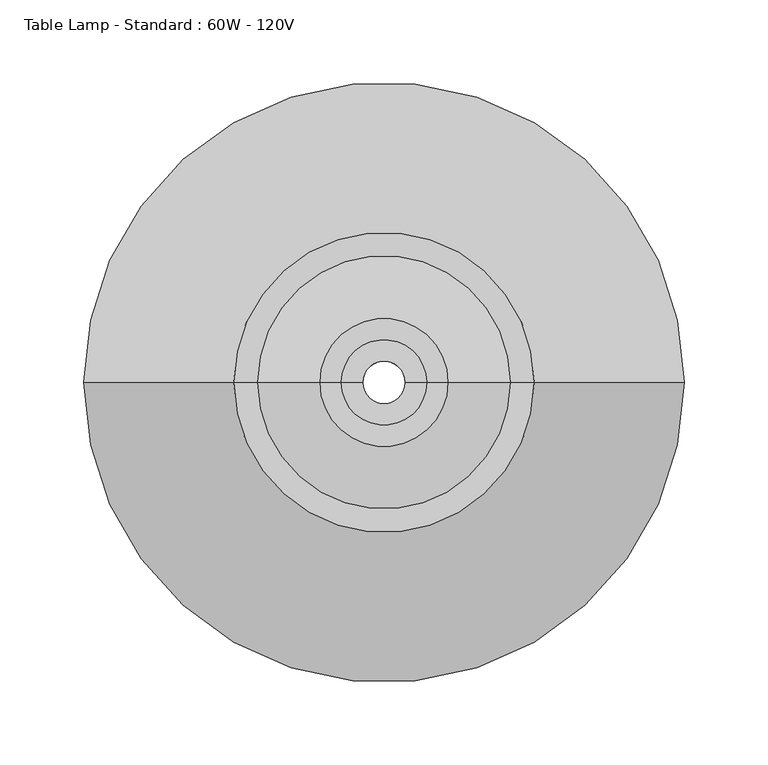
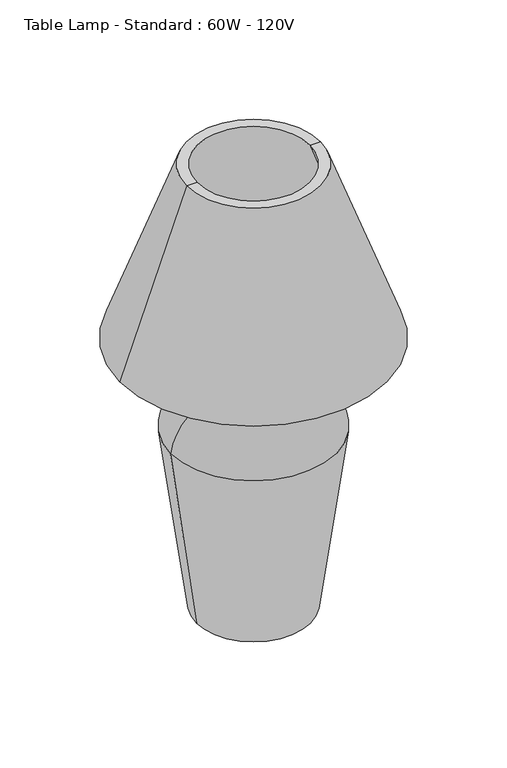
"""IFC4 building model written with IfcOpenShell, lengths in millimetres: light fixture geometry, Table Lamp - Standard : 60W - 120V."""

import ifcopenshell
import ifcopenshell.guid

model = None  # the IFC model being written
_history = None  # IfcOwnerHistory: only IFC2X3 demands one
_inside = {}  # id of a spatial element -> (the spatial element, [elements in it])
_under = {}  # id of a project, library or spatial element -> (it, [spatial elements below it])
_declared = {}  # id of a project -> (the project, [libraries it declares])
_typed = {}  # id of a type object -> (the type object, [elements of that type])
_made_of = {}  # id of a material, layer set ... -> (it, [elements and type objects made of it])


def new_model(schema):
    """Start an empty IFC model of exactly this schema.

    Asked for "IFC4X3", IfcOpenShell would pick the latest addendum, in which some entities
    have other attributes; the version numbers below select the first issue.
    IFC2X3 requires an IfcOwnerHistory on every rooted entity: one is made here for all.
    """
    global model, _history
    if schema == "IFC4X3":
        model = ifcopenshell.file(schema_version=(4, 3, 0, 0))
    else:
        model = ifcopenshell.file(schema=schema)
    _inside.clear()
    _under.clear()
    _declared.clear()
    _typed.clear()
    _made_of.clear()
    _history = None
    if model.schema == "IFC2X3":
        org = make("IfcOrganization", Name="unknown")
        user = make(
            "IfcPersonAndOrganization",
            ThePerson=make("IfcPerson", FamilyName="unknown"),
            TheOrganization=org,
        )
        app = make(
            "IfcApplication",
            ApplicationDeveloper=org,
            Version="unknown",
            ApplicationFullName="unknown",
            ApplicationIdentifier="unknown",
        )
        _history = make(
            "IfcOwnerHistory",
            OwningUser=user,
            OwningApplication=app,
            ChangeAction="ADDED",
            CreationDate=0,
        )
    return model


def make(cls, **values):
    """One entity of the class cls with the attributes given. An attribute that is None is left unset."""
    return model.create_entity(
        cls, **{name: value for name, value in values.items() if value is not None}
    )


def rooted(cls, **values):
    """An entity with a GlobalId (a new one), such as an element, a storey or a relation."""
    return make(cls, GlobalId=ifcopenshell.guid.new(), OwnerHistory=_history, **values)


def si_unit(unit_type, name, prefix=None):
    """IfcSIUnit, for example si_unit("LENGTHUNIT", "METRE", prefix="MILLI")."""
    return make("IfcSIUnit", UnitType=unit_type, Prefix=prefix, Name=name)


def assignment(units):
    """IfcUnitAssignment: the units of a project."""
    return None if units is None else make("IfcUnitAssignment", Units=units)


def point(xyz):
    """IfcCartesianPoint."""
    return None if xyz is None else make("IfcCartesianPoint", Coordinates=xyz)


def direction(xyz):
    """IfcDirection."""
    return None if xyz is None else make("IfcDirection", DirectionRatios=xyz)


def frame(location, z_axis=None, x_axis=None):
    """IfcAxis2Placement3D, a coordinate frame: its origin and axes. An axis left out is left unset."""
    return make(
        "IfcAxis2Placement3D",
        Location=point(location),
        Axis=direction(z_axis),
        RefDirection=direction(x_axis),
    )


def origin():
    """The frame at (0, 0, 0) with its axes left unset."""
    return frame((0.0, 0.0, 0.0))


def origin_with_axes():
    """The frame at (0, 0, 0) with the z axis (0, 0, 1) and the x axis (1, 0, 0) written out."""
    return frame((0.0, 0.0, 0.0), z_axis=(0.0, 0.0, 1.0), x_axis=(1.0, 0.0, 0.0))


def place(relative_to, where):
    """IfcLocalPlacement: puts the frame where relative to a parent placement (None: the world)."""
    return make(
        "IfcLocalPlacement", PlacementRelTo=relative_to, RelativePlacement=where
    )


def context(
    kind, dimensions, precision=None, world=None, true_north=None, identifier=None
):
    """IfcGeometricRepresentationContext, for example the 3D "Model" context."""
    return make(
        "IfcGeometricRepresentationContext",
        ContextIdentifier=identifier,
        ContextType=kind,
        CoordinateSpaceDimension=dimensions,
        Precision=precision,
        WorldCoordinateSystem=world,
        TrueNorth=true_north,
    )


def project(units=None, contexts=None):
    """IfcProject with its units and contexts."""
    return rooted(
        "IfcProject",
        Name="project",
        RepresentationContexts=contexts,
        UnitsInContext=assignment(units),
    )


def spatial(cls, under=None, at=None, **own):
    """A site, building, storey or space (cls), placed at a placement, below another one or the project."""
    s = rooted(cls, ObjectPlacement=at, **own)
    if under is not None:
        _under.setdefault(under.id(), (under, []))[1].append(s)
    return s


def polyline(points):
    """IfcPolyline through the points."""
    return make("IfcPolyline", Points=[point(p) for p in points])


def circle_curve(where, radius):
    """IfcCircle in the frame where."""
    return make("IfcCircle", Position=where, Radius=radius)


def ellipse_curve(where, semi_axis1, semi_axis2):
    """IfcEllipse in the frame where."""
    return make(
        "IfcEllipse", Position=where, SemiAxis1=semi_axis1, SemiAxis2=semi_axis2
    )


def trimmed(basis, trim1, trim2, sense, master):
    """IfcTrimmedCurve: the piece of a basis curve between two trims."""
    return make(
        "IfcTrimmedCurve",
        BasisCurve=basis,
        Trim1=trim1,
        Trim2=trim2,
        SenseAgreement=sense,
        MasterRepresentation=master,
    )


def shape(context_of_items, identifier, shape_type, items):
    """IfcShapeRepresentation: the items that make up one representation, for example the "Body"."""
    return make(
        "IfcShapeRepresentation",
        ContextOfItems=context_of_items,
        RepresentationIdentifier=identifier,
        RepresentationType=shape_type,
        Items=items,
    )


def source(mapping_origin, context_of_items, identifier, shape_type, items):
    """IfcRepresentationMap: a shape defined once, which mapped items show again and again."""
    return make(
        "IfcRepresentationMap",
        MappingOrigin=mapping_origin,
        MappedRepresentation=shape(context_of_items, identifier, shape_type, items),
    )


def transform(
    local_origin,
    x_axis=None,
    y_axis=None,
    z_axis=None,
    scale=None,
    scale2=None,
    scale3=None,
    uniform=True,
):
    """IfcCartesianTransformationOperator3D, or its non-uniform kind. x_axis, y_axis, z_axis: its Axis1, 2, 3."""
    if uniform:
        return make(
            "IfcCartesianTransformationOperator3D",
            Axis1=direction(x_axis),
            Axis2=direction(y_axis),
            LocalOrigin=point(local_origin),
            Scale=scale,
            Axis3=direction(z_axis),
        )
    return make(
        "IfcCartesianTransformationOperator3DnonUniform",
        Axis1=direction(x_axis),
        Axis2=direction(y_axis),
        LocalOrigin=point(local_origin),
        Scale=scale,
        Axis3=direction(z_axis),
        Scale2=scale2,
        Scale3=scale3,
    )


def mapped(mapping_source, mapping_target):
    """IfcMappedItem: shows the shape of a source again, moved by a transform."""
    return make(
        "IfcMappedItem", MappingSource=mapping_source, MappingTarget=mapping_target
    )


def made_of(thing, what):
    """Note that an element or type object is made of a material, layer set ...; save() writes the relation."""
    if what is not None:
        _made_of.setdefault(what.id(), (what, []))[1].append(thing)
    return thing


def element(
    cls,
    number,
    at=None,
    inside=None,
    cuts=None,
    type_object=None,
    material=None,
    context=None,
    identifier="Body",
    shape_type=None,
    held_by="IfcProductDefinitionShape",
    body=None,
    shapes=None,
    **own,
):
    """One element of the class cls, such as IfcWall. Its Tag is "e" and its number.

    at: its placement. inside: the storey or other place that contains it. cuts: it is an
    opening in that element (IfcRelVoidsElement). A single representation is given by context,
    identifier, shape_type and body (its items); several are given by shapes. held_by: the class
    of the entity that holds the representations. save() writes the other relations.
    """
    e = rooted(cls, Tag="e%d" % number, ObjectPlacement=at, **own)
    if body is not None:
        shapes = [shape(context, identifier, shape_type, body)]
    if shapes is not None:
        e.Representation = make(held_by, Representations=shapes)
    if inside is not None:
        _inside.setdefault(inside.id(), (inside, []))[1].append(e)
    if cuts is not None:
        rooted(
            "IfcRelVoidsElement", RelatingBuildingElement=cuts, RelatedOpeningElement=e
        )
    if type_object is not None:
        _typed.setdefault(type_object.id(), (type_object, []))[1].append(e)
    return made_of(e, material)


def aggregate(whole, parts):
    """IfcRelAggregates: a whole, such as a stair, and the parts it consists of."""
    return rooted("IfcRelAggregates", RelatingObject=whole, RelatedObjects=parts)


def save(model, path):
    """Write the relations noted so far, then the file.

    IfcRelAggregates (storeys below a building ...), IfcRelContainedInSpatialStructure (elements
    in a storey), IfcRelDefinesByType, IfcRelAssociatesMaterial and IfcRelDeclares: one each for
    every whole, place, type object, material and project.
    """
    for whole, parts in _under.values():
        aggregate(whole, parts)
    for where, things in _inside.values():
        rooted(
            "IfcRelContainedInSpatialStructure",
            RelatedElements=things,
            RelatingStructure=where,
        )
    for kind, things in _typed.values():
        rooted("IfcRelDefinesByType", RelatedObjects=things, RelatingType=kind)
    for what, things in _made_of.values():
        rooted("IfcRelAssociatesMaterial", RelatedObjects=things, RelatingMaterial=what)
    for by, libraries in _declared.values():
        rooted("IfcRelDeclares", RelatingContext=by, RelatedDefinitions=libraries)
    model.write(path)


def plane_surface(at):
    """IfcPlane: the flat surface through the origin of the frame at, square to its z axis."""
    return make("IfcPlane", Position=at)


def cylinder_surface(at, radius):
    """IfcCylindricalSurface: all points at the distance radius from the z axis of the frame at."""
    return make("IfcCylindricalSurface", Position=at, Radius=radius)


def revolved_surface(curve, axis_point, axis_direction):
    """IfcSurfaceOfRevolution: the curve turned about the line through axis_point along axis_direction."""
    return make(
        "IfcSurfaceOfRevolution",
        SweptCurve=make("IfcArbitraryOpenProfileDef", ProfileType="CURVE", Curve=curve),
        AxisPosition=make("IfcAxis1Placement", Location=point(axis_point), Axis=direction(axis_direction)),
    )


def advanced_brep(points, edges, surfaces, faces):
    """IfcAdvancedBrep: a solid bounded by faces that lie on surfaces and meet in shared edges.

    An edge is (start, end): straight between two places in points (the first is 0);
    or (start, end, curve); or (start, end, curve, False) where it runs against its curve.
    A face is (place in surfaces, loops), or (place, loops, False) where it looks against
    its surface's normal. A loop lists edges by number (the first is 1), with a minus sign
    where the edge is run from its end to its start. The first loop is the outer one.
    """
    corners = [point(p) for p in points]
    vertices = [make("IfcVertexPoint", VertexGeometry=c) for c in corners]
    made = []
    for start, end, *more in edges:
        made.append(
            make(
                "IfcEdgeCurve",
                EdgeStart=vertices[start],
                EdgeEnd=vertices[end],
                EdgeGeometry=more[0] if more else make("IfcPolyline", Points=[corners[start], corners[end]]),
                SameSense=more[1] if len(more) > 1 else True,
            )
        )
    hull = []
    for where, loops, *sense in faces:
        bounds = []
        for j, loop in enumerate(loops):
            ring = [make("IfcOrientedEdge", EdgeElement=made[abs(k) - 1], Orientation=k > 0) for k in loop]
            bounds.append(
                make(
                    "IfcFaceOuterBound" if j == 0 else "IfcFaceBound",
                    Bound=make("IfcEdgeLoop", EdgeList=ring),
                    Orientation=True,
                )
            )
        hull.append(make("IfcAdvancedFace", Bounds=bounds, FaceSurface=surfaces[where], SameSense=sense[0] if sense else True))
    return make("IfcAdvancedBrep", Outer=make("IfcClosedShell", CfsFaces=hull))


def table_lamp_standard_60w_120v_6e8cd8b1(model_context):
    return source(origin(), model_context, "Body", "AdvancedBrep", [
        advanced_brep(
        [(-164.7317588, 0.0, 376.8232721), (164.7317588, 0.0, 376.8232721), (75.4334235, 0.0, 622.168432), (-75.4334235, 0.0, 622.168432), (-178.6712043, 0.0, 376.8232721), (178.6712043, 0.0, 376.8232721), (-89.372869, 0.0, 622.168432), (89.372869, 0.0, 622.168432)],
        [
            (0, 1, circle_curve(frame((0.0, 0.0, 376.8232721), z_axis=(0.0, 0.0, -1.0), x_axis=(1.0, 0.0, 0.0)), 164.7317588)),
            (1, 2),
            (2, 3, circle_curve(frame((0.0, 0.0, 622.168432), z_axis=(0.0, 0.0, 1.0), x_axis=(1.0, 0.0, 0.0)), 75.4334235)),
            (3, 0),
            (1, 0, circle_curve(frame((0.0, 0.0, 376.8232721), z_axis=(0.0, 0.0, -1.0), x_axis=(1.0, 0.0, 0.0)), 164.7317588)),
            (3, 2, circle_curve(frame((0.0, 0.0, 622.168432), z_axis=(0.0, 0.0, 1.0), x_axis=(1.0, 0.0, 0.0)), 75.4334235)),
            (4, 5, circle_curve(frame((0.0, 0.0, 376.8232721), z_axis=(0.0, 0.0, -1.0), x_axis=(1.0, 0.0, 0.0)), 178.6712043)),
            (5, 1),
            (0, 4),
            (5, 4, circle_curve(frame((0.0, 0.0, 376.8232721), z_axis=(0.0, 0.0, -1.0), x_axis=(1.0, 0.0, 0.0)), 178.6712043)),
            (6, 7, circle_curve(frame((0.0, 0.0, 622.168432), z_axis=(0.0, 0.0, -1.0), x_axis=(1.0, 0.0, 0.0)), 89.372869)),
            (7, 5),
            (4, 6),
            (7, 6, circle_curve(frame((0.0, 0.0, 622.168432), z_axis=(0.0, 0.0, -1.0), x_axis=(1.0, 0.0, 0.0)), 89.372869)),
            (2, 7),
            (6, 3),
        ],
        [
            revolved_surface(polyline([(75.4334235, 0.0, 622.168432), (164.7317588, 0.0, 376.8232721)]), (0.0, 0.0, 736.6), (0.0, 0.0, 1.0)),
            plane_surface(frame((0.0, 0.0, 376.8232721), z_axis=(0.0, 0.0, -1.0), x_axis=(1.0, 0.0, 0.0))),
            revolved_surface(polyline([(178.6712043, 0.0, 376.8232721), (89.372869, 0.0, 622.168432)]), (0.0, 0.0, 736.6), (0.0, 0.0, 1.0)),
            plane_surface(frame((0.0, 0.0, 622.168432), z_axis=(0.0, 0.0, 1.0), x_axis=(1.0, 0.0, 0.0))),
        ],
        [
            (0, [[1, 2, 3, 4]]),
            (0, [[5, -4, 6, -2]]),
            (1, [[7, 8, -1, 9]]),
            (1, [[10, -9, -5, -8]]),
            (2, [[11, 12, -7, 13]]),
            (2, [[14, -13, -10, -12]]),
            (3, [[-3, 15, -11, 16]]),
            (3, [[-6, -16, -14, -15]]),
        ],
    ),
        advanced_brep(
        [(-25.4, 0.0, 363.9152112), (25.4, 0.0, 363.9152112), (25.4, 0.0, 338.5152112), (-25.4, 0.0, 338.5152112), (-12.7, 0.0, 363.9152112), (12.7, 0.0, 363.9152112), (-12.7, 0.0, 338.5152112), (12.7, 0.0, 338.5152112)],
        [
            (0, 1, circle_curve(frame((0.0, 0.0, 363.9152112), z_axis=(0.0, 0.0, -1.0), x_axis=(1.0, 0.0, 0.0)), 25.4)),
            (1, 2),
            (2, 3, circle_curve(frame((0.0, 0.0, 338.5152112), z_axis=(0.0, 0.0, 1.0), x_axis=(1.0, 0.0, 0.0)), 25.4)),
            (3, 0),
            (1, 0, circle_curve(frame((0.0, 0.0, 363.9152112), z_axis=(0.0, 0.0, -1.0), x_axis=(1.0, 0.0, 0.0)), 25.4)),
            (3, 2, circle_curve(frame((0.0, 0.0, 338.5152112), z_axis=(0.0, 0.0, 1.0), x_axis=(1.0, 0.0, 0.0)), 25.4)),
            (4, 5, circle_curve(frame((0.0, 0.0, 363.9152112), z_axis=(0.0, 0.0, -1.0), x_axis=(1.0, 0.0, 0.0)), 12.7)),
            (5, 1),
            (0, 4),
            (5, 4, circle_curve(frame((0.0, 0.0, 363.9152112), z_axis=(0.0, 0.0, -1.0), x_axis=(1.0, 0.0, 0.0)), 12.7)),
            (6, 7, circle_curve(frame((0.0, 0.0, 338.5152112), z_axis=(0.0, 0.0, -1.0), x_axis=(1.0, 0.0, 0.0)), 12.7)),
            (7, 5),
            (4, 6),
            (7, 6, circle_curve(frame((0.0, 0.0, 338.5152112), z_axis=(0.0, 0.0, -1.0), x_axis=(1.0, 0.0, 0.0)), 12.7)),
            (2, 7),
            (6, 3),
        ],
        [
            cylinder_surface(frame((0.0, 0.0, 457.2), z_axis=(0.0, 0.0, 1.0), x_axis=(1.0, 0.0, 0.0)), 25.4),
            plane_surface(frame((0.0, 0.0, 363.9152112), z_axis=(0.0, 0.0, 1.0), x_axis=(1.0, 0.0, 0.0))),
            revolved_surface(polyline([(12.7, 0.0, 363.9152112), (12.7, 0.0, 338.5152112)]), (0.0, 0.0, 457.2), (0.0, 0.0, 1.0)),
            plane_surface(frame((0.0, 0.0, 338.5152112), z_axis=(0.0, 0.0, -1.0), x_axis=(1.0, 0.0, 0.0))),
        ],
        [
            (0, [[1, 2, 3, 4]]),
            (0, [[5, -4, 6, -2]]),
            (1, [[7, 8, -1, 9]]),
            (1, [[10, -9, -5, -8]]),
            (2, [[11, 12, -7, 13]]),
            (2, [[14, -13, -10, -12]]),
            (3, [[-3, 15, -11, 16]]),
            (3, [[-6, -16, -14, -15]]),
        ],
    ),
        advanced_brep(
        [(-38.1, 0.0, 300.4152112), (38.1, 0.0, 300.4152112), (12.7, 0.0, 300.4152112), (-12.7, 0.0, 300.4152112), (-38.1, 0.0, 338.5152112), (38.1, 0.0, 338.5152112), (-12.7, 0.0, 338.5152112), (12.7, 0.0, 338.5152112)],
        [
            (0, 1, circle_curve(frame((0.0, 0.0, 300.4152112), z_axis=(0.0, 0.0, -1.0), x_axis=(1.0, 0.0, 0.0)), 38.1)),
            (1, 2),
            (2, 3, circle_curve(frame((0.0, 0.0, 300.4152112), z_axis=(0.0, 0.0, 1.0), x_axis=(1.0, 0.0, 0.0)), 12.7)),
            (3, 0),
            (1, 0, circle_curve(frame((0.0, 0.0, 300.4152112), z_axis=(0.0, 0.0, -1.0), x_axis=(1.0, 0.0, 0.0)), 38.1)),
            (3, 2, circle_curve(frame((0.0, 0.0, 300.4152112), z_axis=(0.0, 0.0, 1.0), x_axis=(1.0, 0.0, 0.0)), 12.7)),
            (4, 5, circle_curve(frame((0.0, 0.0, 338.5152112), z_axis=(0.0, 0.0, -1.0), x_axis=(1.0, 0.0, 0.0)), 38.1)),
            (5, 1),
            (0, 4),
            (5, 4, circle_curve(frame((0.0, 0.0, 338.5152112), z_axis=(0.0, 0.0, -1.0), x_axis=(1.0, 0.0, 0.0)), 38.1)),
            (6, 7, circle_curve(frame((0.0, 0.0, 338.5152112), z_axis=(0.0, 0.0, -1.0), x_axis=(1.0, 0.0, 0.0)), 12.7)),
            (7, 5),
            (4, 6),
            (7, 6, circle_curve(frame((0.0, 0.0, 338.5152112), z_axis=(0.0, 0.0, -1.0), x_axis=(1.0, 0.0, 0.0)), 12.7)),
            (2, 7),
            (6, 3),
        ],
        [
            plane_surface(frame((0.0, 0.0, 300.4152112), z_axis=(0.0, 0.0, -1.0), x_axis=(1.0, 0.0, 0.0))),
            cylinder_surface(frame((0.0, 0.0, 431.8), z_axis=(0.0, 0.0, 1.0), x_axis=(1.0, 0.0, 0.0)), 38.1),
            plane_surface(frame((0.0, 0.0, 338.5152112), z_axis=(0.0, 0.0, 1.0), x_axis=(1.0, 0.0, 0.0))),
            revolved_surface(polyline([(12.7, 0.0, 338.5152112), (12.7, 0.0, 300.4152112)]), (0.0, 0.0, 431.8), (0.0, 0.0, 1.0)),
        ],
        [
            (0, [[1, 2, 3, 4]]),
            (0, [[5, -4, 6, -2]]),
            (1, [[7, 8, -1, 9]]),
            (1, [[10, -9, -5, -8]]),
            (2, [[11, 12, -7, 13]]),
            (2, [[14, -13, -10, -12]]),
            (3, [[-3, 15, -11, 16]]),
            (3, [[-6, -16, -14, -15]]),
        ],
    ),
        advanced_brep(
        [(-110.728718, 0.0, 251.659832), (110.728718, 0.0, 251.659832), (76.2, 0.0, 0.0), (-76.2, 0.0, 0.0), (-38.1, 0.0, 310.9616106), (38.1, 0.0, 310.9616106), (-38.1, 0.0, 300.4152112), (38.1, 0.0, 300.4152112), (-98.1869356, 0.0, 253.725236), (98.1869356, 0.0, 253.725236), (-65.5434347, 0.0, 12.7), (65.5434347, 0.0, 12.7), (-12.7, 0.0, 12.7), (12.7, 0.0, 12.7), (-12.7, 0.0, 0.0), (12.7, 0.0, 0.0)],
        [
            (0, 1, circle_curve(frame((0.0, 0.0, 251.659832), z_axis=(0.0, 0.0, -1.0), x_axis=(1.0, 0.0, 0.0)), 110.728718)),
            (1, 2),
            (2, 3, circle_curve(origin_with_axes(), 76.2)),
            (3, 0),
            (1, 0, circle_curve(frame((0.0, 0.0, 251.659832), z_axis=(0.0, 0.0, -1.0), x_axis=(1.0, 0.0, 0.0)), 110.728718)),
            (3, 2, circle_curve(origin_with_axes(), 76.2)),
            (4, 5, circle_curve(frame((0.0, 0.0, 310.9616106), z_axis=(0.0, 0.0, -1.0), x_axis=(1.0, 0.0, 0.0)), 38.1)),
            (5, 1, circle_curve(frame((44.5301031, 0.0, 244.710551), z_axis=(0.0, 1.0, 0.0), x_axis=(1.0, 0.0, 0.0)), 66.5623702)),
            (0, 4, circle_curve(frame((-44.5301031, 0.0, 244.710551), z_axis=(0.0, 1.0, 0.0), x_axis=(-1.0, 0.0, 0.0)), 66.5623702)),
            (5, 4, circle_curve(frame((0.0, 0.0, 310.9616106), z_axis=(0.0, 0.0, -1.0), x_axis=(1.0, 0.0, 0.0)), 38.1)),
            (6, 7, circle_curve(frame((0.0, 0.0, 300.4152112), z_axis=(0.0, 0.0, -1.0), x_axis=(1.0, 0.0, 0.0)), 38.1)),
            (7, 5),
            (4, 6),
            (7, 6, circle_curve(frame((0.0, 0.0, 300.4152112), z_axis=(0.0, 0.0, -1.0), x_axis=(1.0, 0.0, 0.0)), 38.1)),
            (8, 9, circle_curve(frame((0.0, 0.0, 253.725236), z_axis=(0.0, 0.0, -1.0), x_axis=(1.0, 0.0, 0.0)), 98.1869356)),
            (9, 7, circle_curve(frame((44.5301031, 0.0, 246.6813721), z_axis=(0.0, -1.0, 0.0), x_axis=(1.0, 0.0, 0.0)), 54.1172033)),
            (6, 8, circle_curve(frame((-44.5301031, 0.0, 246.6813721), z_axis=(0.0, -1.0, 0.0), x_axis=(-1.0, 0.0, 0.0)), 54.1172033)),
            (9, 8, circle_curve(frame((0.0, 0.0, 253.725236), z_axis=(0.0, 0.0, -1.0), x_axis=(1.0, 0.0, 0.0)), 98.1869356)),
            (10, 11, circle_curve(frame((0.0, 0.0, 12.7), z_axis=(0.0, 0.0, -1.0), x_axis=(1.0, 0.0, 0.0)), 65.5434347)),
            (11, 9),
            (8, 10),
            (11, 10, circle_curve(frame((0.0, 0.0, 12.7), z_axis=(0.0, 0.0, -1.0), x_axis=(1.0, 0.0, 0.0)), 65.5434347)),
            (12, 13, circle_curve(frame((0.0, 0.0, 12.7), z_axis=(0.0, 0.0, -1.0), x_axis=(1.0, 0.0, 0.0)), 12.7)),
            (13, 11),
            (10, 12),
            (13, 12, circle_curve(frame((0.0, 0.0, 12.7), z_axis=(0.0, 0.0, -1.0), x_axis=(1.0, 0.0, 0.0)), 12.7)),
            (14, 15, circle_curve(frame((0.0, 0.0, 0.0), z_axis=(0.0, 0.0, -1.0), x_axis=(1.0, 0.0, 0.0)), 12.7)),
            (15, 13),
            (12, 14),
            (15, 14, circle_curve(frame((0.0, 0.0, 0.0), z_axis=(0.0, 0.0, -1.0), x_axis=(1.0, 0.0, 0.0)), 12.7)),
            (2, 15),
            (14, 3),
        ],
        [
            revolved_surface(polyline([(76.2, 0.0, 0.0), (110.728718, 0.0, 251.659832)]), (0.0, 0.0, -50.8), (0.0, 0.0, 1.0)),
            revolved_surface(trimmed(ellipse_curve(frame((44.5301031, 0.0, 244.710551), z_axis=(0.0, -1.0, 0.0), x_axis=(1.0, 0.0, 0.0)), 66.5623702, 66.5623702), [point((110.728718, 0.0, 251.659832))], [point((38.1, 0.0, 310.9616106))], True, "CARTESIAN"), (0.0, 0.0, -50.8), (0.0, 0.0, 1.0)),
            revolved_surface(polyline([(38.1, 0.0, 310.9616106), (38.1, 0.0, 300.4152112)]), (0.0, 0.0, -50.8), (0.0, 0.0, 1.0)),
            revolved_surface(trimmed(ellipse_curve(frame((44.5301031, 0.0, 246.6813721), z_axis=(0.0, 1.0, 0.0), x_axis=(1.0, 0.0, 0.0)), 54.1172033, 54.1172033), [point((38.1, 0.0, 300.4152112))], [point((98.1869356, 0.0, 253.725236))], True, "CARTESIAN"), (0.0, 0.0, -50.8), (0.0, 0.0, 1.0)),
            revolved_surface(polyline([(98.1869356, 0.0, 253.725236), (65.5434347, 0.0, 12.7)]), (0.0, 0.0, -50.8), (0.0, 0.0, 1.0)),
            plane_surface(frame((0.0, 0.0, 12.7), z_axis=(0.0, 0.0, 1.0), x_axis=(1.0, 0.0, 0.0))),
            revolved_surface(polyline([(12.7, 0.0, 12.700000000000003), (12.7, 0.0, 0.0)]), (0.0, 0.0, -50.8), (0.0, 0.0, 1.0)),
            plane_surface(frame((0.0, 0.0, 0.0), z_axis=(0.0, 0.0, -1.0), x_axis=(1.0, 0.0, 0.0))),
        ],
        [
            (0, [[1, 2, 3, 4]]),
            (0, [[5, -4, 6, -2]]),
            (1, [[7, 8, -1, 9]]),
            (1, [[10, -9, -5, -8]]),
            (2, [[11, 12, -7, 13]]),
            (2, [[14, -13, -10, -12]]),
            (3, [[15, 16, -11, 17]]),
            (3, [[18, -17, -14, -16]]),
            (4, [[19, 20, -15, 21]]),
            (4, [[22, -21, -18, -20]]),
            (5, [[23, 24, -19, 25]]),
            (5, [[26, -25, -22, -24]]),
            (6, [[27, 28, -23, 29]]),
            (6, [[30, -29, -26, -28]]),
            (7, [[-3, 31, -27, 32]]),
            (7, [[-6, -32, -30, -31]]),
        ],
    ),
    ])


if __name__ == "__main__":
    model = new_model("IFC4")
    model_context = context("Model", 3, world=origin())
    ifc_project = project(units=[si_unit("LENGTHUNIT", "METRE", prefix="MILLI")], contexts=[model_context])
    site = spatial("IfcSite", under=ifc_project)
    building = spatial("IfcBuilding", under=site)
    placement = place(None, origin())
    table_lamp_standard_60w_120v_shape = table_lamp_standard_60w_120v_6e8cd8b1(model_context)
    element("IfcLightFixture", 1, ObjectType="Table Lamp - Standard : 60W - 120V", at=placement, inside=building, context=model_context, shape_type="MappedRepresentation", body=[
        mapped(table_lamp_standard_60w_120v_shape, transform((0.0, 0.0, 0.0), x_axis=(1.0, 0.0, 0.0), y_axis=(0.0, 1.0, 0.0), z_axis=(0.0, 0.0, 1.0))),
    ])
    save(model, "model.ifc")
